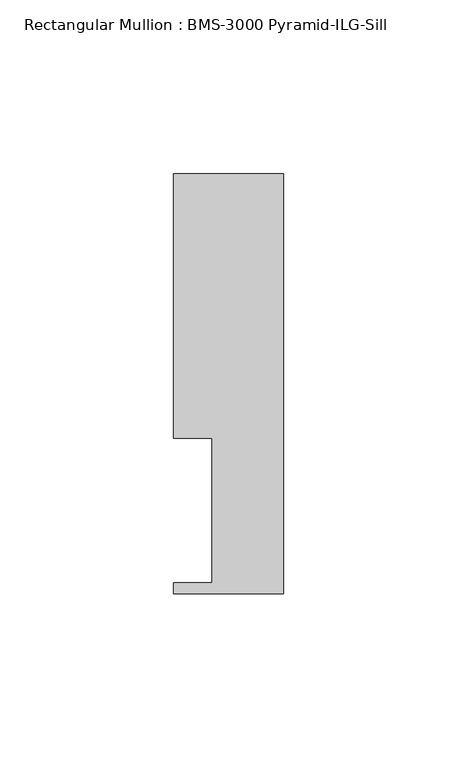
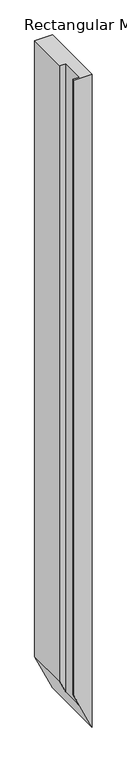
"""IFC4 building model written with IfcOpenShell, lengths in millimetres: member geometry, Rectangular Mullion : BMS-3000 Pyramid-ILG-Sill."""

from ifc_helpers import new_model, si_unit, origin, place, context, project, spatial, faceted_brep, source, transform, mapped, element, save


def rectangular_mullion_bms_3000_pyramid_ilg_sill_2c168f76(model_context):
    return source(origin(), model_context, "Body", "Brep", [
        faceted_brep([(0.0, 9.3678375, 0.0), (0.0, 130.3734375, 0.0), (-31.75, 130.3734375, 0.0), (-31.75, 54.1734375, 0.0), (-20.6248, 54.1734375, 0.0), (-20.6248, 12.5428375, 0.0), (-31.75, 12.5428375, 0.0), (-31.75, 9.3678375, 0.0), (0.0, 130.3734375, -1219.2), (-31.75, 130.3734375, -1149.7023914), (-31.75, 54.1734375, -1149.7023914), (-20.6248, 54.1734375, -1174.0543534), (-20.6248, 12.5428375, -1174.0543534), (-31.75, 12.5428375, -1149.7023914), (-31.75, 9.3678375, -1149.7023914), (0.0, 9.3678375, -1219.2)], [[[0, 1, 2, 3, 4, 5, 6, 7]], [[2, 1, 8, 9]], [[3, 2, 9, 10]], [[4, 3, 10, 11]], [[5, 4, 11, 12]], [[6, 5, 12, 13]], [[7, 6, 13, 14]], [[0, 7, 14, 15]], [[1, 0, 15, 8]], [[15, 14, 13, 12, 11, 10, 9, 8]]]),
    ])


if __name__ == "__main__":
    model = new_model("IFC4")
    model_context = context("Model", 3, world=origin())
    ifc_project = project(units=[si_unit("LENGTHUNIT", "METRE", prefix="MILLI")], contexts=[model_context])
    site = spatial("IfcSite", under=ifc_project)
    building = spatial("IfcBuilding", under=site)
    placement = place(None, origin())
    rectangular_mullion_bms_3000_pyramid_ilg_sill_shape = rectangular_mullion_bms_3000_pyramid_ilg_sill_2c168f76(model_context)
    element("IfcMember", 1, ObjectType="Rectangular Mullion : BMS-3000 Pyramid-ILG-Sill", at=placement, inside=building, context=model_context, shape_type="MappedRepresentation", body=[
        mapped(rectangular_mullion_bms_3000_pyramid_ilg_sill_shape, transform((0.0, 0.0, 0.0), x_axis=(1.0, 0.0, 0.0), y_axis=(0.0, 1.0, 0.0), z_axis=(0.0, 0.0, 1.0))),
    ])
    save(model, "model.ifc")
